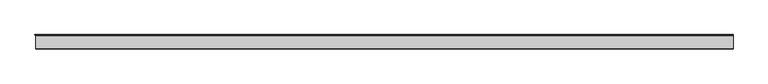
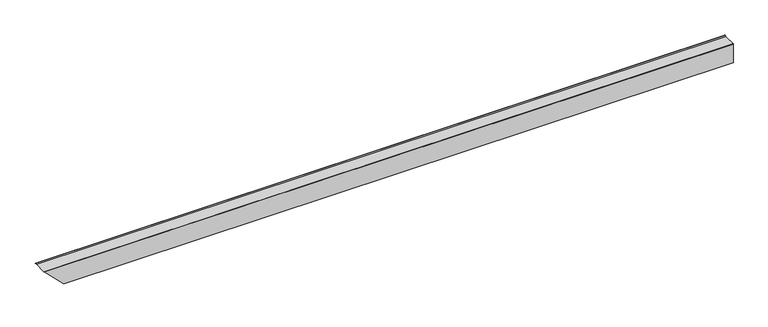
"""IFC4 building model written with IfcOpenShell, lengths in millimetres: proxy geometry."""

from ifc_helpers import new_model, si_unit, frame, origin, place, context, project, spatial, polyline, circle_curve, ellipse_curve, faceted_brep, source, transform, mapped, element, save
from ifc_brep_helpers import plane_surface, cylinder_surface, revolved_surface, advanced_brep


def specialty_equipment_ec591ea0(model_context):
    return source(origin(), model_context, "Body", "SolidModel", [
        advanced_brep(
        [(5487.2019999, 84.2845729, 38.6991105), (5487.2019999, 87.6862978, 45.9689732), (5487.2019999, 84.2236616, 47.9893811), (5487.2019999, 76.9122205, 40.6866822), (5487.2019999, -24.5116818, 40.6866822), (5487.2019999, -25.5276818, 39.6706822), (5487.2019999, -25.5276818, -119.0097142), (5487.2019999, 77.2244115, -119.0097142), (5487.2019999, 84.4065446, -126.1918474), (5487.2019999, 87.3951284, -123.1325414), (5487.2019999, 85.6854666, -118.42451), (5487.2019999, 84.7304835, -118.7713), (5487.2019999, 86.4483719, -123.5019856), (5487.2019999, 84.9491753, -125.297637), (5487.2019999, 77.6452525, -117.9937142), (5487.2019999, 0.0, -117.9937142), (5487.2019999, 0.0, 39.1626822), (5487.2019999, 0.508, 39.6706822), (5487.2019999, 77.3330614, 39.6706822), (5487.2019999, 84.8585816, 47.1962023), (5487.2019999, 86.6833746, 46.1314568), (5487.2019999, 83.3664989, 39.1343073), (-39.1343073, 83.3664989, 39.1343073), (-38.6991105, 84.2845729, 38.6991105), (-46.1314568, 86.6833746, 46.1314568), (-47.1962023, 84.8585816, 47.1962023), (-39.6706822, 77.3330614, 39.6706822), (-39.6706822, 0.508, 39.6706822), (-39.1626822, 0.0, 39.1626822), (117.9937142, 0.0, -117.9937142), (117.9937142, 77.6452525, -117.9937142), (125.297637, 84.9491753, -125.297637), (123.5019856, 86.4483719, -123.5019856), (118.7713, 84.7304835, -118.7713), (118.42451, 85.6854666, -118.42451), (123.1325414, 87.3951284, -123.1325414), (126.1918474, 84.4065446, -126.1918474), (119.0097142, 77.2244115, -119.0097142), (119.0097142, -25.5276818, -119.0097142), (-39.6706822, -25.5276818, 39.6706822), (-40.6866822, -24.5116818, 40.6866822), (-40.6866822, 76.9122205, 40.6866822), (-47.9893811, 84.2236616, 47.9893811), (-45.9689732, 87.6862978, 45.9689732)],
        [
            (0, 1),
            (1, 2, circle_curve(frame((5487.2019999, 85.5659738, 46.312487), z_axis=(1.0, 0.0, 0.0), x_axis=(0.0, 1.0, 0.0)), 2.1479702)),
            (2, 3),
            (3, 4),
            (4, 5, circle_curve(frame((5487.2019999, -24.5116818, 39.6706822), z_axis=(1.0, 0.0, 0.0), x_axis=(0.0, 1.0, 0.0)), 1.016)),
            (5, 6),
            (6, 7),
            (7, 8),
            (8, 9, circle_curve(frame((5487.2019999, 85.2410207, -124.0176315), z_axis=(1.0, 0.0, 0.0), x_axis=(0.0, 1.0, 0.0)), 2.3288548)),
            (9, 10),
            (10, 11),
            (11, 12),
            (12, 13, circle_curve(frame((5487.2019999, 85.2410207, -124.0176315), z_axis=(-1.0, 0.0, 0.0), x_axis=(0.0, 1.0, 0.0)), 1.3128548)),
            (13, 14),
            (14, 15),
            (15, 16),
            (16, 17, circle_curve(frame((5487.2019999, 0.508, 39.1626822), z_axis=(-1.0, 0.0, 0.0), x_axis=(0.0, 1.0, 0.0)), 0.508)),
            (17, 18),
            (18, 19),
            (19, 20, circle_curve(frame((5487.2019999, 85.5659738, 46.312487), z_axis=(-1.0, 0.0, 0.0), x_axis=(0.0, 1.0, 0.0)), 1.1319702)),
            (20, 21),
            (21, 0),
            (21, 22),
            (22, 23),
            (23, 0),
            (20, 24),
            (24, 22),
            (19, 25),
            (25, 24, ellipse_curve(frame((-46.312487, 85.5659738, 46.312487), z_axis=(-0.7071067811865492, 0.0, -0.7071067811865458), x_axis=(0.7071067811865458, 0.0, -0.7071067811865492)), 1.6008476, 1.1319702)),
            (18, 26),
            (26, 25),
            (17, 27),
            (27, 26),
            (16, 28),
            (28, 27, ellipse_curve(frame((-39.1626822, 0.508, 39.1626822), z_axis=(-0.7071067811865492, 0.0, -0.7071067811865458), x_axis=(0.7071067811865458, 0.0, -0.7071067811865492)), 0.7184205, 0.508)),
            (15, 29),
            (29, 28),
            (14, 30),
            (30, 29),
            (13, 31),
            (31, 30),
            (12, 32),
            (32, 31, ellipse_curve(frame((124.0176315, 85.2410207, -124.0176315), z_axis=(-0.7071067811865492, 0.0, -0.7071067811865458), x_axis=(0.7071067811865458, 0.0, -0.7071067811865492)), 1.8566571, 1.3128548)),
            (11, 33),
            (33, 32),
            (10, 34),
            (34, 33),
            (9, 35),
            (35, 34),
            (8, 36),
            (36, 35, ellipse_curve(frame((124.0176315, 85.2410207, -124.0176315), z_axis=(0.7071067811865492, 0.0, 0.7071067811865458), x_axis=(-0.7071067811865458, 0.0, 0.7071067811865492)), 3.2934981, 2.3288548)),
            (7, 37),
            (37, 36),
            (6, 38),
            (38, 37),
            (5, 39),
            (39, 38),
            (4, 40),
            (40, 39, ellipse_curve(frame((-39.6706822, -24.5116818, 39.6706822), z_axis=(0.7071067811865492, 0.0, 0.7071067811865458), x_axis=(-0.7071067811865458, 0.0, 0.7071067811865492)), 1.436841, 1.016)),
            (3, 41),
            (41, 40),
            (2, 42),
            (42, 41),
            (1, 43),
            (43, 42, ellipse_curve(frame((-46.312487, 85.5659738, 46.312487), z_axis=(0.7071067811865492, 0.0, 0.7071067811865458), x_axis=(-0.7071067811865458, 0.0, 0.7071067811865492)), 3.0376885, 2.1479702)),
            (23, 43),
        ],
        [
            plane_surface(frame((5487.2019999, 0.0818149, 1.2291165), z_axis=(1.0, 0.0, 0.0), x_axis=(0.0, 0.0, 1.0))),
            plane_surface(frame((-48.5394, 84.2845729, 38.6991105), z_axis=(0.0, -0.4283433055538029, -0.9036160758791543), x_axis=(1.0, 0.0, 0.0))),
            plane_surface(frame((-48.5394, 83.3664989, 39.1343073), z_axis=(0.0, -0.9036160758791646, 0.4283433055537811), x_axis=(1.0, 0.0, 0.0))),
            revolved_surface(polyline([(5487.2019999, 86.69794399999999, 46.312487), (-47.444457193606205, 86.69794399999999, 46.312487)]), (-48.5394, 85.5659738, 46.312487), (1.0, 0.0, 0.0)),
            plane_surface(frame((-48.5394, 84.8585816, 47.1962023), z_axis=(0.0, 0.7071067811866334, -0.7071067811864616), x_axis=(1.0, 0.0, 0.0))),
            plane_surface(frame((-48.5394, 77.3330614, 39.6706822), z_axis=(0.0, 0.0, -1.0), x_axis=(1.0, 0.0, 0.0))),
            revolved_surface(polyline([(5487.2019999, 1.016, 39.1626822), (-39.670682207293424, 1.016, 39.1626822)]), (-48.5394, 0.508, 39.1626822), (1.0, 0.0, 0.0)),
            plane_surface(frame((-48.5394, 0.0, 39.1626822), z_axis=(0.0, 1.0, 0.0), x_axis=(1.0, 0.0, 0.0))),
            plane_surface(frame((-48.5394, 0.0, -117.9937142), z_axis=(0.0, 0.0, 1.0), x_axis=(1.0, 0.0, 0.0))),
            plane_surface(frame((-48.5394, 77.6452525, -117.9937142), z_axis=(0.0, 0.7071067811871135, 0.7071067811859816), x_axis=(1.0, 0.0, 0.0))),
            revolved_surface(polyline([(5487.2019999, 86.5538755, -124.0176315), (122.70477667425186, 86.5538755, -124.0176315)]), (-48.5394, 85.2410207, -124.0176315), (1.0, 0.0, 0.0)),
            plane_surface(frame((-48.5394, 86.4483719, -123.5019856), z_axis=(0.0, -0.9399439895929895, -0.34132872194999075), x_axis=(1.0, 0.0, 0.0))),
            plane_surface(frame((-48.5394, 84.7304835, -118.7713), z_axis=(0.0, -0.34132872194999475, 0.939943989592988), x_axis=(1.0, 0.0, 0.0))),
            plane_surface(frame((-48.5394, 85.6854666, -118.42451), z_axis=(0.0, 0.9399439895929889, 0.34132872194999253), x_axis=(1.0, 0.0, 0.0))),
            cylinder_surface(frame((-48.5394, 85.2410207, -124.0176315), z_axis=(-1.0, 0.0, 0.0), x_axis=(0.0, 1.0, 0.0)), 2.3288548),
            plane_surface(frame((-48.5394, 84.4065446, -126.1918474), z_axis=(0.0, -0.707106781187203, -0.7071067811858921), x_axis=(1.0, 0.0, 0.0))),
            plane_surface(frame((-48.5394, 77.2244115, -119.0097142), z_axis=(0.0, 0.0, -1.0), x_axis=(1.0, 0.0, 0.0))),
            plane_surface(frame((-48.5394, -25.5276818, -119.0097142), z_axis=(0.0, -1.0, 0.0), x_axis=(1.0, 0.0, 0.0))),
            cylinder_surface(frame((-48.5394, -24.5116818, 39.6706822), z_axis=(-1.0, 0.0, 0.0), x_axis=(0.0, 1.0, 0.0)), 1.016),
            plane_surface(frame((-48.5394, -24.5116818, 40.6866822), z_axis=(0.0, 0.0, 1.0), x_axis=(1.0, 0.0, 0.0))),
            plane_surface(frame((-48.5394, 76.9122205, 40.6866822), z_axis=(0.0, -0.7066836626193927, 0.7075296467193727), x_axis=(1.0, 0.0, 0.0))),
            cylinder_surface(frame((-48.5394, 85.5659738, 46.312487), z_axis=(-1.0, 0.0, 0.0), x_axis=(0.0, 1.0, 0.0)), 2.1479702),
            plane_surface(frame((-48.5394, 87.6862978, 45.9689732), z_axis=(0.0, 0.905747119101355, -0.4238185416420523), x_axis=(1.0, 0.0, 0.0))),
            plane_surface(frame((126.4137994, -67.4899439, -126.4137994), z_axis=(-0.7071067811865492, 0.0, -0.7071067811865458), x_axis=(0.0, 1.0, 0.0))),
        ],
        [
            (0, [[1, 2, 3, 4, 5, 6, 7, 8, 9, 10, 11, 12, 13, 14, 15, 16, 17, 18, 19, 20, 21, 22]]),
            (1, [[-22, 23, 24, 25]]),
            (2, [[-21, 26, 27, -23]]),
            (3, [[-20, 28, 29, -26]]),
            (4, [[-19, 30, 31, -28]]),
            (5, [[-18, 32, 33, -30]]),
            (6, [[-17, 34, 35, -32]]),
            (7, [[-16, 36, 37, -34]]),
            (8, [[-15, 38, 39, -36]]),
            (9, [[-14, 40, 41, -38]]),
            (10, [[-13, 42, 43, -40]]),
            (11, [[-12, 44, 45, -42]]),
            (12, [[-11, 46, 47, -44]]),
            (13, [[-10, 48, 49, -46]]),
            (14, [[-9, 50, 51, -48]]),
            (15, [[-8, 52, 53, -50]]),
            (16, [[-7, 54, 55, -52]]),
            (17, [[-6, 56, 57, -54]]),
            (18, [[-5, 58, 59, -56]]),
            (19, [[-4, 60, 61, -58]]),
            (20, [[-3, 62, 63, -60]]),
            (21, [[-2, 64, 65, -62]]),
            (22, [[-1, -25, 66, -64]]),
            (23, [[-24, -27, -29, -31, -33, -35, -37, -39, -41, -43, -45, -47, -49, -51, -53, -55, -57, -59, -61, -63, -65, -66]]),
        ],
    ),
        faceted_brep([(5487.2019999, 20.9756339, 32.611715), (5487.2019999, 20.9756339, 34.6202), (5487.2019999, 1.9367501, 34.6202), (5487.2019999, 1.9367501, 5.7277005), (5487.2019999, 40.03675, 5.7277005), (5487.2019999, 40.03675, 7.7597004), (5487.2019999, 3.96875, 7.7597004), (5487.2019999, 3.96875, 32.611715), (-32.611715, 3.96875, 32.611715), (-32.611715, 20.9756339, 32.611715), (-7.7597004, 3.96875, 7.7597004), (-7.7597004, 40.03675, 7.7597004), (-5.7277005, 40.03675, 5.7277005), (-5.7277005, 1.9367501, 5.7277005), (-34.6202, 1.9367501, 34.6202), (-34.6202, 20.9756339, 34.6202)], [[[0, 1, 2, 3, 4, 5, 6, 7]], [[0, 7, 8, 9]], [[7, 6, 10, 8]], [[6, 5, 11, 10]], [[5, 4, 12, 11]], [[4, 3, 13, 12]], [[3, 2, 14, 13]], [[2, 1, 15, 14]], [[1, 0, 9, 15]], [[9, 8, 10, 11, 12, 13, 14, 15]]]),
    ])


if __name__ == "__main__":
    model = new_model("IFC4")
    model_context = context("Model", 3, world=origin())
    ifc_project = project(units=[si_unit("LENGTHUNIT", "METRE", prefix="MILLI")], contexts=[model_context])
    site = spatial("IfcSite", under=ifc_project)
    building = spatial("IfcBuilding", under=site)
    placement = place(None, origin())
    specialty_equipment_shape = specialty_equipment_ec591ea0(model_context)
    element("IfcBuildingElementProxy", 1, Name="Specialty Equipment", at=placement, inside=building, context=model_context, shape_type="MappedRepresentation", body=[
        mapped(specialty_equipment_shape, transform((0.0, 0.0, 0.0), x_axis=(1.0, 0.0, 0.0), y_axis=(0.0, 1.0, 0.0), z_axis=(0.0, 0.0, 1.0))),
    ])
    save(model, "model.ifc")
